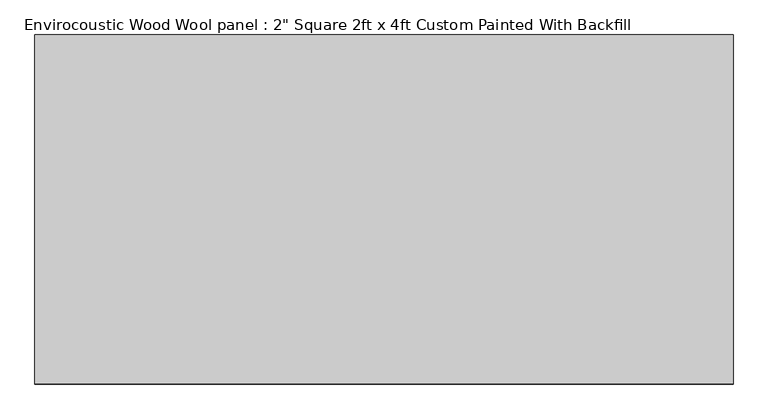
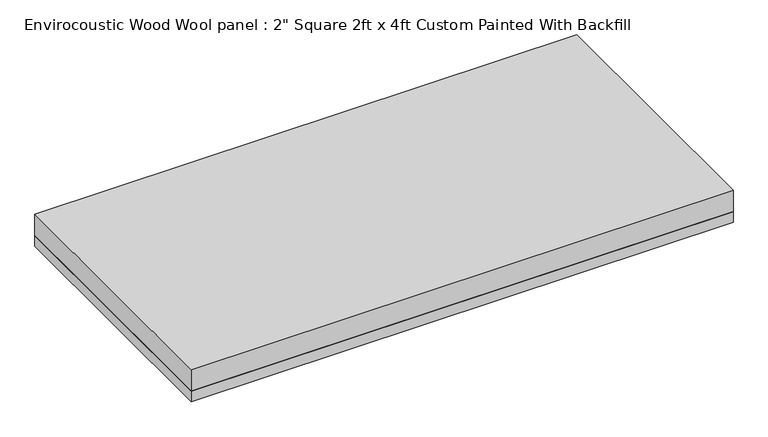
"""IFC4 building model written with IfcOpenShell, lengths in millimetres: proxy geometry."""

import ifcopenshell
import ifcopenshell.guid

model = None  # the IFC model being written
_history = None  # IfcOwnerHistory: only IFC2X3 demands one
_inside = {}  # id of a spatial element -> (the spatial element, [elements in it])
_under = {}  # id of a project, library or spatial element -> (it, [spatial elements below it])
_declared = {}  # id of a project -> (the project, [libraries it declares])
_typed = {}  # id of a type object -> (the type object, [elements of that type])
_made_of = {}  # id of a material, layer set ... -> (it, [elements and type objects made of it])


def new_model(schema):
    """Start an empty IFC model of exactly this schema.

    Asked for "IFC4X3", IfcOpenShell would pick the latest addendum, in which some entities
    have other attributes; the version numbers below select the first issue.
    IFC2X3 requires an IfcOwnerHistory on every rooted entity: one is made here for all.
    """
    global model, _history
    if schema == "IFC4X3":
        model = ifcopenshell.file(schema_version=(4, 3, 0, 0))
    else:
        model = ifcopenshell.file(schema=schema)
    _inside.clear()
    _under.clear()
    _declared.clear()
    _typed.clear()
    _made_of.clear()
    _history = None
    if model.schema == "IFC2X3":
        org = make("IfcOrganization", Name="unknown")
        user = make(
            "IfcPersonAndOrganization",
            ThePerson=make("IfcPerson", FamilyName="unknown"),
            TheOrganization=org,
        )
        app = make(
            "IfcApplication",
            ApplicationDeveloper=org,
            Version="unknown",
            ApplicationFullName="unknown",
            ApplicationIdentifier="unknown",
        )
        _history = make(
            "IfcOwnerHistory",
            OwningUser=user,
            OwningApplication=app,
            ChangeAction="ADDED",
            CreationDate=0,
        )
    return model


def make(cls, **values):
    """One entity of the class cls with the attributes given. An attribute that is None is left unset."""
    return model.create_entity(
        cls, **{name: value for name, value in values.items() if value is not None}
    )


def rooted(cls, **values):
    """An entity with a GlobalId (a new one), such as an element, a storey or a relation."""
    return make(cls, GlobalId=ifcopenshell.guid.new(), OwnerHistory=_history, **values)


def si_unit(unit_type, name, prefix=None):
    """IfcSIUnit, for example si_unit("LENGTHUNIT", "METRE", prefix="MILLI")."""
    return make("IfcSIUnit", UnitType=unit_type, Prefix=prefix, Name=name)


def assignment(units):
    """IfcUnitAssignment: the units of a project."""
    return None if units is None else make("IfcUnitAssignment", Units=units)


def point(xyz):
    """IfcCartesianPoint."""
    return None if xyz is None else make("IfcCartesianPoint", Coordinates=xyz)


def direction(xyz):
    """IfcDirection."""
    return None if xyz is None else make("IfcDirection", DirectionRatios=xyz)


def frame(location, z_axis=None, x_axis=None):
    """IfcAxis2Placement3D, a coordinate frame: its origin and axes. An axis left out is left unset."""
    return make(
        "IfcAxis2Placement3D",
        Location=point(location),
        Axis=direction(z_axis),
        RefDirection=direction(x_axis),
    )


def origin():
    """The frame at (0, 0, 0) with its axes left unset."""
    return frame((0.0, 0.0, 0.0))


def origin_with_axes():
    """The frame at (0, 0, 0) with the z axis (0, 0, 1) and the x axis (1, 0, 0) written out."""
    return frame((0.0, 0.0, 0.0), z_axis=(0.0, 0.0, 1.0), x_axis=(1.0, 0.0, 0.0))


def place(relative_to, where):
    """IfcLocalPlacement: puts the frame where relative to a parent placement (None: the world)."""
    return make(
        "IfcLocalPlacement", PlacementRelTo=relative_to, RelativePlacement=where
    )


def context(
    kind, dimensions, precision=None, world=None, true_north=None, identifier=None
):
    """IfcGeometricRepresentationContext, for example the 3D "Model" context."""
    return make(
        "IfcGeometricRepresentationContext",
        ContextIdentifier=identifier,
        ContextType=kind,
        CoordinateSpaceDimension=dimensions,
        Precision=precision,
        WorldCoordinateSystem=world,
        TrueNorth=true_north,
    )


def project(units=None, contexts=None):
    """IfcProject with its units and contexts."""
    return rooted(
        "IfcProject",
        Name="project",
        RepresentationContexts=contexts,
        UnitsInContext=assignment(units),
    )


def spatial(cls, under=None, at=None, **own):
    """A site, building, storey or space (cls), placed at a placement, below another one or the project."""
    s = rooted(cls, ObjectPlacement=at, **own)
    if under is not None:
        _under.setdefault(under.id(), (under, []))[1].append(s)
    return s


def polyline(points):
    """IfcPolyline through the points."""
    return make("IfcPolyline", Points=[point(p) for p in points])


def outline(outer, holes=None, kind="AREA"):
    """IfcArbitraryClosedProfileDef: a profile drawn as a closed curve; with holes, ...WithVoids."""
    if holes is None:
        return make("IfcArbitraryClosedProfileDef", ProfileType=kind, OuterCurve=outer)
    return make(
        "IfcArbitraryProfileDefWithVoids",
        ProfileType=kind,
        OuterCurve=outer,
        InnerCurves=holes,
    )


def extrude(swept, where, along, depth):
    """IfcExtrudedAreaSolid: the profile swept, set in the frame where, extruded along a direction by depth."""
    return make(
        "IfcExtrudedAreaSolid",
        SweptArea=swept,
        Position=where,
        ExtrudedDirection=direction(along),
        Depth=depth,
    )


def shape(context_of_items, identifier, shape_type, items):
    """IfcShapeRepresentation: the items that make up one representation, for example the "Body"."""
    return make(
        "IfcShapeRepresentation",
        ContextOfItems=context_of_items,
        RepresentationIdentifier=identifier,
        RepresentationType=shape_type,
        Items=items,
    )


def source(mapping_origin, context_of_items, identifier, shape_type, items):
    """IfcRepresentationMap: a shape defined once, which mapped items show again and again."""
    return make(
        "IfcRepresentationMap",
        MappingOrigin=mapping_origin,
        MappedRepresentation=shape(context_of_items, identifier, shape_type, items),
    )


def transform(
    local_origin,
    x_axis=None,
    y_axis=None,
    z_axis=None,
    scale=None,
    scale2=None,
    scale3=None,
    uniform=True,
):
    """IfcCartesianTransformationOperator3D, or its non-uniform kind. x_axis, y_axis, z_axis: its Axis1, 2, 3."""
    if uniform:
        return make(
            "IfcCartesianTransformationOperator3D",
            Axis1=direction(x_axis),
            Axis2=direction(y_axis),
            LocalOrigin=point(local_origin),
            Scale=scale,
            Axis3=direction(z_axis),
        )
    return make(
        "IfcCartesianTransformationOperator3DnonUniform",
        Axis1=direction(x_axis),
        Axis2=direction(y_axis),
        LocalOrigin=point(local_origin),
        Scale=scale,
        Axis3=direction(z_axis),
        Scale2=scale2,
        Scale3=scale3,
    )


def mapped(mapping_source, mapping_target):
    """IfcMappedItem: shows the shape of a source again, moved by a transform."""
    return make(
        "IfcMappedItem", MappingSource=mapping_source, MappingTarget=mapping_target
    )


def made_of(thing, what):
    """Note that an element or type object is made of a material, layer set ...; save() writes the relation."""
    if what is not None:
        _made_of.setdefault(what.id(), (what, []))[1].append(thing)
    return thing


def element(
    cls,
    number,
    at=None,
    inside=None,
    cuts=None,
    type_object=None,
    material=None,
    context=None,
    identifier="Body",
    shape_type=None,
    held_by="IfcProductDefinitionShape",
    body=None,
    shapes=None,
    **own,
):
    """One element of the class cls, such as IfcWall. Its Tag is "e" and its number.

    at: its placement. inside: the storey or other place that contains it. cuts: it is an
    opening in that element (IfcRelVoidsElement). A single representation is given by context,
    identifier, shape_type and body (its items); several are given by shapes. held_by: the class
    of the entity that holds the representations. save() writes the other relations.
    """
    e = rooted(cls, Tag="e%d" % number, ObjectPlacement=at, **own)
    if body is not None:
        shapes = [shape(context, identifier, shape_type, body)]
    if shapes is not None:
        e.Representation = make(held_by, Representations=shapes)
    if inside is not None:
        _inside.setdefault(inside.id(), (inside, []))[1].append(e)
    if cuts is not None:
        rooted(
            "IfcRelVoidsElement", RelatingBuildingElement=cuts, RelatedOpeningElement=e
        )
    if type_object is not None:
        _typed.setdefault(type_object.id(), (type_object, []))[1].append(e)
    return made_of(e, material)


def aggregate(whole, parts):
    """IfcRelAggregates: a whole, such as a stair, and the parts it consists of."""
    return rooted("IfcRelAggregates", RelatingObject=whole, RelatedObjects=parts)


def save(model, path):
    """Write the relations noted so far, then the file.

    IfcRelAggregates (storeys below a building ...), IfcRelContainedInSpatialStructure (elements
    in a storey), IfcRelDefinesByType, IfcRelAssociatesMaterial and IfcRelDeclares: one each for
    every whole, place, type object, material and project.
    """
    for whole, parts in _under.values():
        aggregate(whole, parts)
    for where, things in _inside.values():
        rooted(
            "IfcRelContainedInSpatialStructure",
            RelatedElements=things,
            RelatingStructure=where,
        )
    for kind, things in _typed.values():
        rooted("IfcRelDefinesByType", RelatedObjects=things, RelatingType=kind)
    for what, things in _made_of.values():
        rooted("IfcRelAssociatesMaterial", RelatedObjects=things, RelatingMaterial=what)
    for by, libraries in _declared.values():
        rooted("IfcRelDeclares", RelatingContext=by, RelatedDefinitions=libraries)
    model.write(path)


def proxy_631c4177(model_context):
    return source(origin(), model_context, "Body", "SweptSolid", [
        extrude(outline(polyline([(609.6, 304.8), (609.6, -304.8), (-609.6, -304.8), (-609.6, 304.8), (609.6, 304.8)])), origin_with_axes(), (0.0, 0.0, 1.0), 25.4),
        extrude(outline(polyline([(-609.6, 304.8), (609.6, 304.8), (609.6, -304.8), (-609.6, -304.8), (-609.6, 304.8)])), frame((0.0, 0.0, 25.4), z_axis=(0.0, 0.0, 1.0), x_axis=(1.0, 0.0, 0.0)), (0.0, 0.0, 1.0), 50.8),
    ])


if __name__ == "__main__":
    model = new_model("IFC4")
    model_context = context("Model", 3, world=origin())
    ifc_project = project(units=[si_unit("LENGTHUNIT", "METRE", prefix="MILLI")], contexts=[model_context])
    site = spatial("IfcSite", under=ifc_project)
    building = spatial("IfcBuilding", under=site)
    placement = place(None, origin())
    proxy_shape = proxy_631c4177(model_context)
    element("IfcBuildingElementProxy", 1, Name="Envirocoustic Wood Wool panel : 2\" Square 2ft x 4ft Custom Painted With Backfill", ObjectType="Envirocoustic Wood Wool panel : 2\" Square 2ft x 4ft Custom Painted With Backfill", at=placement, inside=building, context=model_context, shape_type="MappedRepresentation", body=[
        mapped(proxy_shape, transform((0.0, 0.0, 0.0), x_axis=(1.0, 0.0, 0.0), y_axis=(0.0, 1.0, 0.0), z_axis=(0.0, 0.0, 1.0))),
    ])
    save(model, "model.ifc")
